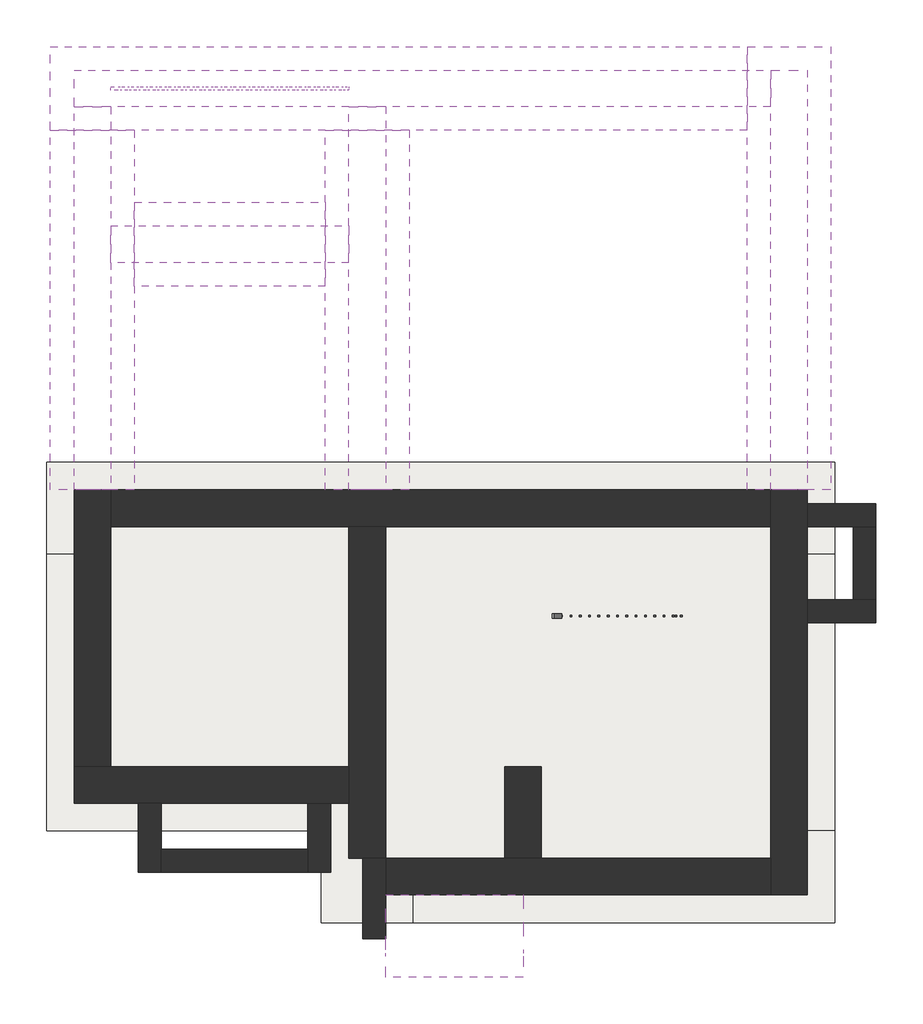
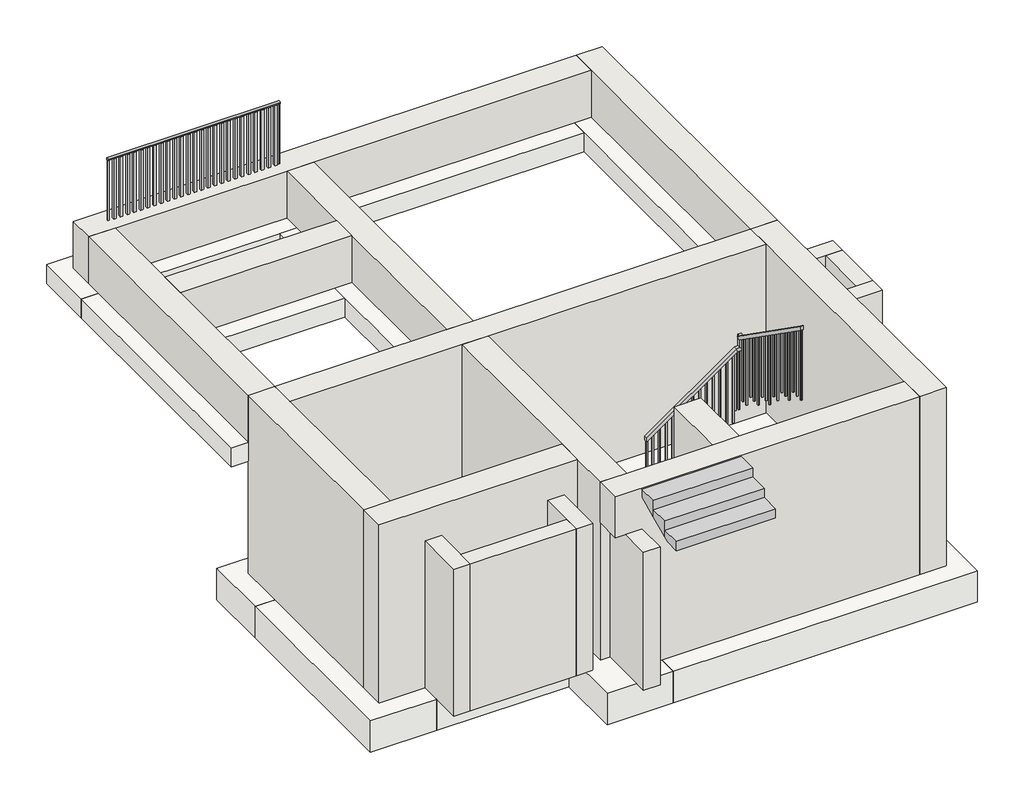
# One storey: 19 walls, 12 footings, 2 railings, 1 slab, 1 stair flight.
"""IFC4 building model written with IfcOpenShell, lengths in millimetres."""

from ifc_helpers import new_model, si_unit, point, frame, frame_2d, origin, place, context, project, spatial, polyline, circle_curve, trimmed, segment, composite_curve, outline, extrude, faceted_brep, element, save

model = new_model("IFC4")

# Units and contexts
model_context = context("Model", 3, world=origin())
ifc_project = project(units=[si_unit("LENGTHUNIT", "METRE", prefix="MILLI")], contexts=[model_context])

# Site, building, storey
site = spatial("IfcSite", under=ifc_project)
building = spatial("IfcBuilding", under=site)
storey = spatial("IfcBuildingStorey", under=building, Elevation=-2400.0)

# Footings
placement = place(None, origin())
element("IfcFooting", 1, at=placement, inside=storey, context=model_context, shape_type="Brep", body=[
    faceted_brep([(-6883.694566, 1245.0965613, -2400.0), (-5883.694566, 1245.0965613, -2400.0), (-3883.694566, 1245.0965613, -2400.0), (-2883.694566, 1245.0965613, -2400.0), (716.305434, 1245.0965613, -2400.0), (1716.305434, 1245.0965613, -2400.0), (1716.305434, 2245.0965613, -2400.0), (-6883.694566, 2245.0965613, -2400.0), (-6883.694566, 2245.0965613, -2900.0), (1716.305434, 2245.0965613, -2900.0), (-6883.694566, 1245.0965613, -2900.0), (1716.305434, 1245.0965613, -2900.0), (716.305434, 1245.0965613, -2900.0), (-2883.694566, 1245.0965613, -2900.0), (-3883.694566, 1245.0965613, -2900.0), (-5883.694566, 1245.0965613, -2900.0)], [[[0, 1, 2, 3, 4, 5, 6, 7]], [[8, 7, 6, 9]], [[10, 8, 9, 11, 12, 13, 14, 15]], [[0, 10, 15, 14, 13, 12, 11, 5, 4, 3, 2, 1]], [[0, 7, 8, 10]], [[6, 5, 11, 9]]]),
])
element("IfcFooting", 2, at=placement, inside=storey, context=model_context, shape_type="Brep", body=[
    faceted_brep([(-6883.694566, -1774.9034387, -2400.0), (-5883.694566, -1774.9034387, -2400.0), (-5883.694566, -774.9034387, -2400.0), (-5883.694566, 1245.0965613, -2400.0), (-6883.694566, 1245.0965613, -2400.0), (-6883.694566, -1774.9034387, -2900.0), (-6883.694566, 1245.0965613, -2900.0), (-5883.694566, -1774.9034387, -2900.0), (-5883.694566, 1245.0965613, -2900.0), (-5883.694566, -774.9034387, -2900.0)], [[[0, 1, 2, 3, 4]], [[5, 0, 4, 6]], [[7, 5, 6, 8, 9]], [[1, 7, 9, 8, 3, 2]], [[4, 3, 8, 6]], [[1, 0, 5, 7]]]),
])
element("IfcFooting", 3, at=placement, inside=storey, context=model_context, shape_type="SweptSolid", body=[
    extrude(outline(polyline([(-3883.694566, -774.9034387), (-3883.694566, -1774.9034387), (-5883.694566, -1774.9034387), (-5883.694566, -774.9034387), (-3883.694566, -774.9034387)])), frame((0.0, 0.0, -2900.0), z_axis=(0.0, 0.0, 1.0), x_axis=(1.0, 0.0, 0.0)), (0.0, 0.0, 1.0), 500.0),
])
element("IfcFooting", 4, at=placement, inside=storey, context=model_context, shape_type="Brep", body=[
    faceted_brep([(-3883.694566, 1245.0965613, -2400.0), (-3883.694566, -774.9034387, -2400.0), (-3883.694566, -1774.9034387, -2400.0), (-3883.694566, -2774.9034387, -2400.0), (-2883.694566, -2774.9034387, -2400.0), (-2883.694566, -1774.9034387, -2400.0), (-2883.694566, 1245.0965613, -2400.0), (-2883.694566, 1245.0965613, -2900.0), (-2883.694566, -2774.9034387, -2900.0), (-2883.694566, -1774.9034387, -2900.0), (-3883.694566, 1245.0965613, -2900.0), (-3883.694566, -2774.9034387, -2900.0), (-3883.694566, -1774.9034387, -2900.0), (-3883.694566, -774.9034387, -2900.0)], [[[0, 1, 2, 3, 4, 5, 6]], [[7, 6, 5, 4, 8, 9]], [[10, 7, 9, 8, 11, 12, 13]], [[0, 10, 13, 12, 11, 3, 2, 1]], [[0, 6, 7, 10]], [[4, 3, 11, 8]]]),
])
element("IfcFooting", 5, at=placement, inside=storey, context=model_context, shape_type="Brep", body=[
    faceted_brep([(1716.305434, -2774.9034387, -2400.0), (1716.305434, -1774.9034387, -2400.0), (716.305434, -1774.9034387, -2400.0), (-1183.694566, -1774.9034387, -2400.0), (-2183.694566, -1774.9034387, -2400.0), (-2883.694566, -1774.9034387, -2400.0), (-2883.694566, -2774.9034387, -2400.0), (1716.305434, -2774.9034387, -2900.0), (-2883.694566, -2774.9034387, -2900.0), (1716.305434, -1774.9034387, -2900.0), (-2883.694566, -1774.9034387, -2900.0), (-2183.694566, -1774.9034387, -2900.0), (-1183.694566, -1774.9034387, -2900.0), (716.305434, -1774.9034387, -2900.0)], [[[0, 1, 2, 3, 4, 5, 6]], [[7, 0, 6, 8]], [[9, 7, 8, 10, 11, 12, 13]], [[1, 9, 13, 12, 11, 10, 5, 4, 3, 2]], [[1, 0, 7, 9]], [[6, 5, 10, 8]]]),
])
element("IfcFooting", 6, at=placement, inside=storey, context=model_context, shape_type="SweptSolid", body=[
    extrude(outline(polyline([(-1183.694566, -1774.9034387), (-2183.694566, -1774.9034387), (-2183.694566, -1074.9034387), (-1183.694566, -1074.9034387), (-1183.694566, -1774.9034387)])), frame((0.0, 0.0, -2900.0), z_axis=(0.0, 0.0, 1.0), x_axis=(1.0, 0.0, 0.0)), (0.0, 0.0, 1.0), 500.0),
])
element("IfcFooting", 7, at=placement, inside=storey, context=model_context, shape_type="SweptSolid", body=[
    extrude(outline(polyline([(716.305434, 1245.0965613), (1716.305434, 1245.0965613), (1716.305434, -1774.9034387), (716.305434, -1774.9034387), (716.305434, 1245.0965613)])), frame((0.0, 0.0, -2900.0), z_axis=(0.0, 0.0, 1.0), x_axis=(1.0, 0.0, 0.0)), (0.0, 0.0, 1.0), 500.0),
])
element("IfcFooting", 8, ObjectType="Bearing Footing - 36\" x 12\"", at=placement, inside=storey, context=model_context, shape_type="Brep", body=[
    faceted_brep([(1673.505434, 1945.0965613, -300.0), (759.105434, 1945.0965613, -300.0), (759.105434, 1945.0965613, -604.8), (1673.505434, 1945.0965613, -604.8), (1673.505434, 6782.2965613, -300.0), (759.105434, 6782.2965613, -300.0), (759.105434, 5867.8965613, -300.0), (759.105434, 6782.2965613, -604.8), (759.105434, 5867.8965613, -604.8), (1673.505434, 6782.2965613, -604.8)], [[[0, 1, 2, 3]], [[0, 4, 5, 6, 1]], [[2, 1, 6, 5, 7, 8]], [[3, 2, 8, 7, 9]], [[0, 3, 9, 4]], [[5, 4, 9, 7]]]),
])
element("IfcFooting", 9, ObjectType="Bearing Footing - 36\" x 12\"", at=placement, inside=storey, context=model_context, shape_type="Brep", body=[
    faceted_brep([(-6840.894566, 6782.2965613, -300.0), (-6840.894566, 5867.8965613, -300.0), (-5926.494566, 5867.8965613, -300.0), (-3840.894566, 5867.8965613, -300.0), (-2926.494566, 5867.8965613, -300.0), (759.105434, 5867.8965613, -300.0), (759.105434, 6782.2965613, -300.0), (-6840.894566, 5867.8965613, -604.8), (-5926.494566, 5867.8965613, -604.8), (-3840.894566, 5867.8965613, -604.8), (-2926.494566, 5867.8965613, -604.8), (759.105434, 5867.8965613, -604.8), (-6840.894566, 6782.2965613, -604.8), (759.105434, 6782.2965613, -604.8)], [[[0, 1, 2, 3, 4, 5, 6]], [[1, 7, 8, 9, 10, 11, 5, 4, 3, 2]], [[7, 12, 13, 11, 10, 9, 8]], [[12, 0, 6, 13]], [[1, 0, 12, 7]], [[6, 5, 11, 13]]]),
])
element("IfcFooting", 10, ObjectType="Bearing Footing - 36\" x 12\"", at=placement, inside=storey, context=model_context, shape_type="Brep", body=[
    faceted_brep([(-5926.494566, 1945.0965613, -604.8), (-5926.494566, 1945.0965613, -300.0), (-6840.894566, 1945.0965613, -300.0), (-6840.894566, 1945.0965613, -604.8), (-5926.494566, 4167.8965613, -300.0), (-5926.494566, 5082.2965613, -300.0), (-5926.494566, 5867.8965613, -300.0), (-6840.894566, 5867.8965613, -300.0), (-5926.494566, 4167.8965613, -604.8), (-5926.494566, 5082.2965613, -604.8), (-5926.494566, 5867.8965613, -604.8), (-6840.894566, 5867.8965613, -604.8)], [[[0, 1, 2, 3]], [[2, 1, 4, 5, 6, 7]], [[1, 0, 8, 9, 10, 6, 5, 4]], [[0, 3, 11, 10, 9, 8]], [[3, 2, 7, 11]], [[7, 6, 10, 11]]]),
])
element("IfcFooting", 11, ObjectType="Bearing Footing - 36\" x 12\"", at=placement, inside=storey, context=model_context, shape_type="Brep", body=[
    faceted_brep([(-2926.494566, 1945.0965613, -604.8), (-2926.494566, 1945.0965613, -300.0), (-3840.894566, 1945.0965613, -300.0), (-3840.894566, 1945.0965613, -604.8), (-2926.494566, 5867.8965613, -300.0), (-3840.894566, 5867.8965613, -300.0), (-3840.894566, 5082.2965613, -300.0), (-3840.894566, 4167.8965613, -300.0), (-2926.494566, 5867.8965613, -604.8), (-3840.894566, 4167.8965613, -604.8), (-3840.894566, 5082.2965613, -604.8), (-3840.894566, 5867.8965613, -604.8)], [[[0, 1, 2, 3]], [[2, 1, 4, 5, 6, 7]], [[1, 0, 8, 4]], [[0, 3, 9, 10, 11, 8]], [[3, 2, 7, 6, 5, 11, 10, 9]], [[5, 4, 8, 11]]]),
])
element("IfcFooting", 12, ObjectType="Bearing Footing - 36\" x 12\"", at=placement, inside=storey, context=model_context, shape_type="SweptSolid", body=[
    extrude(outline(polyline([(-3840.894566, 5082.2965613), (-3840.894566, 4167.8965613), (-5926.494566, 4167.8965613), (-5926.494566, 5082.2965613), (-3840.894566, 5082.2965613)])), frame((0.0, 0.0, -604.8), z_axis=(0.0, 0.0, 1.0), x_axis=(1.0, 0.0, 0.0)), (0.0, 0.0, 1.0), 304.8),
])

# Railings
element("IfcRailing", 13, at=placement, inside=storey, context=model_context, shape_type="SweptSolid", body=[
    extrude(outline(composite_curve([segment(trimmed(circle_curve(frame_2d((6325.0965613, 1430.95)), 19.05), [point((6306.0465613, 1430.95))], [point((6344.1465613, 1430.95))], False, "CARTESIAN"), True, "CONTINUOUS"), segment(trimmed(circle_curve(frame_2d((6325.0965613, 1430.95)), 19.05), [point((6344.1465613, 1430.95))], [point((6306.0465613, 1430.95))], False, "CARTESIAN"), True, "CONTINUOUS")], self_intersect=False)), frame((-6183.694566, 0.0, 0.0), z_axis=(1.0, 0.0, 0.0), x_axis=(0.0, 1.0, 0.0)), (0.0, 0.0, 1.0), 2600.0),
    extrude(outline(polyline([(-3662.744566, 6306.0465613), (-3662.744566, 6344.1465613), (-3624.644566, 6344.1465613), (-3624.644566, 6306.0465613), (-3662.744566, 6306.0465613)])), frame((0.0, 0.0, 450.0), z_axis=(0.0, 0.0, 1.0), x_axis=(1.0, 0.0, 0.0)), (0.0, 0.0, 1.0), 961.9),
    extrude(outline(polyline([(-3764.344566, 6306.0465613), (-3764.344566, 6344.1465613), (-3726.244566, 6344.1465613), (-3726.244566, 6306.0465613), (-3764.344566, 6306.0465613)])), frame((0.0, 0.0, 450.0), z_axis=(0.0, 0.0, 1.0), x_axis=(1.0, 0.0, 0.0)), (0.0, 0.0, 1.0), 961.9),
    extrude(outline(polyline([(-3865.944566, 6306.0465613), (-3865.944566, 6344.1465613), (-3827.844566, 6344.1465613), (-3827.844566, 6306.0465613), (-3865.944566, 6306.0465613)])), frame((0.0, 0.0, 450.0), z_axis=(0.0, 0.0, 1.0), x_axis=(1.0, 0.0, 0.0)), (0.0, 0.0, 1.0), 961.9),
    extrude(outline(polyline([(-3967.544566, 6306.0465613), (-3967.544566, 6344.1465613), (-3929.444566, 6344.1465613), (-3929.444566, 6306.0465613), (-3967.544566, 6306.0465613)])), frame((0.0, 0.0, 450.0), z_axis=(0.0, 0.0, 1.0), x_axis=(1.0, 0.0, 0.0)), (0.0, 0.0, 1.0), 961.9),
    extrude(outline(polyline([(-4069.144566, 6306.0465613), (-4069.144566, 6344.1465613), (-4031.044566, 6344.1465613), (-4031.044566, 6306.0465613), (-4069.144566, 6306.0465613)])), frame((0.0, 0.0, 450.0), z_axis=(0.0, 0.0, 1.0), x_axis=(1.0, 0.0, 0.0)), (0.0, 0.0, 1.0), 961.9),
    extrude(outline(polyline([(-4170.744566, 6306.0465613), (-4170.744566, 6344.1465613), (-4132.644566, 6344.1465613), (-4132.644566, 6306.0465613), (-4170.744566, 6306.0465613)])), frame((0.0, 0.0, 450.0), z_axis=(0.0, 0.0, 1.0), x_axis=(1.0, 0.0, 0.0)), (0.0, 0.0, 1.0), 961.9),
    extrude(outline(polyline([(-4272.344566, 6306.0465613), (-4272.344566, 6344.1465613), (-4234.244566, 6344.1465613), (-4234.244566, 6306.0465613), (-4272.344566, 6306.0465613)])), frame((0.0, 0.0, 450.0), z_axis=(0.0, 0.0, 1.0), x_axis=(1.0, 0.0, 0.0)), (0.0, 0.0, 1.0), 961.9),
    extrude(outline(polyline([(-4373.944566, 6306.0465613), (-4373.944566, 6344.1465613), (-4335.844566, 6344.1465613), (-4335.844566, 6306.0465613), (-4373.944566, 6306.0465613)])), frame((0.0, 0.0, 450.0), z_axis=(0.0, 0.0, 1.0), x_axis=(1.0, 0.0, 0.0)), (0.0, 0.0, 1.0), 961.9),
    extrude(outline(polyline([(-4475.544566, 6306.0465613), (-4475.544566, 6344.1465613), (-4437.444566, 6344.1465613), (-4437.444566, 6306.0465613), (-4475.544566, 6306.0465613)])), frame((0.0, 0.0, 450.0), z_axis=(0.0, 0.0, 1.0), x_axis=(1.0, 0.0, 0.0)), (0.0, 0.0, 1.0), 961.9),
    extrude(outline(polyline([(-4577.144566, 6306.0465613), (-4577.144566, 6344.1465613), (-4539.044566, 6344.1465613), (-4539.044566, 6306.0465613), (-4577.144566, 6306.0465613)])), frame((0.0, 0.0, 450.0), z_axis=(0.0, 0.0, 1.0), x_axis=(1.0, 0.0, 0.0)), (0.0, 0.0, 1.0), 961.9),
    extrude(outline(polyline([(-4678.744566, 6306.0465613), (-4678.744566, 6344.1465613), (-4640.644566, 6344.1465613), (-4640.644566, 6306.0465613), (-4678.744566, 6306.0465613)])), frame((0.0, 0.0, 450.0), z_axis=(0.0, 0.0, 1.0), x_axis=(1.0, 0.0, 0.0)), (0.0, 0.0, 1.0), 961.9),
    extrude(outline(polyline([(-4780.344566, 6306.0465613), (-4780.344566, 6344.1465613), (-4742.244566, 6344.1465613), (-4742.244566, 6306.0465613), (-4780.344566, 6306.0465613)])), frame((0.0, 0.0, 450.0), z_axis=(0.0, 0.0, 1.0), x_axis=(1.0, 0.0, 0.0)), (0.0, 0.0, 1.0), 961.9),
    extrude(outline(polyline([(-4881.944566, 6306.0465613), (-4881.944566, 6344.1465613), (-4843.844566, 6344.1465613), (-4843.844566, 6306.0465613), (-4881.944566, 6306.0465613)])), frame((0.0, 0.0, 450.0), z_axis=(0.0, 0.0, 1.0), x_axis=(1.0, 0.0, 0.0)), (0.0, 0.0, 1.0), 961.9),
    extrude(outline(polyline([(-4983.544566, 6306.0465613), (-4983.544566, 6344.1465613), (-4945.444566, 6344.1465613), (-4945.444566, 6306.0465613), (-4983.544566, 6306.0465613)])), frame((0.0, 0.0, 450.0), z_axis=(0.0, 0.0, 1.0), x_axis=(1.0, 0.0, 0.0)), (0.0, 0.0, 1.0), 961.9),
    extrude(outline(polyline([(-5085.144566, 6306.0465613), (-5085.144566, 6344.1465613), (-5047.044566, 6344.1465613), (-5047.044566, 6306.0465613), (-5085.144566, 6306.0465613)])), frame((0.0, 0.0, 450.0), z_axis=(0.0, 0.0, 1.0), x_axis=(1.0, 0.0, 0.0)), (0.0, 0.0, 1.0), 961.9),
    extrude(outline(polyline([(-5186.744566, 6306.0465613), (-5186.744566, 6344.1465613), (-5148.644566, 6344.1465613), (-5148.644566, 6306.0465613), (-5186.744566, 6306.0465613)])), frame((0.0, 0.0, 450.0), z_axis=(0.0, 0.0, 1.0), x_axis=(1.0, 0.0, 0.0)), (0.0, 0.0, 1.0), 961.9),
    extrude(outline(polyline([(-5288.344566, 6306.0465613), (-5288.344566, 6344.1465613), (-5250.244566, 6344.1465613), (-5250.244566, 6306.0465613), (-5288.344566, 6306.0465613)])), frame((0.0, 0.0, 450.0), z_axis=(0.0, 0.0, 1.0), x_axis=(1.0, 0.0, 0.0)), (0.0, 0.0, 1.0), 961.9),
    extrude(outline(polyline([(-5389.944566, 6306.0465613), (-5389.944566, 6344.1465613), (-5351.844566, 6344.1465613), (-5351.844566, 6306.0465613), (-5389.944566, 6306.0465613)])), frame((0.0, 0.0, 450.0), z_axis=(0.0, 0.0, 1.0), x_axis=(1.0, 0.0, 0.0)), (0.0, 0.0, 1.0), 961.9),
    extrude(outline(polyline([(-5491.544566, 6306.0465613), (-5491.544566, 6344.1465613), (-5453.444566, 6344.1465613), (-5453.444566, 6306.0465613), (-5491.544566, 6306.0465613)])), frame((0.0, 0.0, 450.0), z_axis=(0.0, 0.0, 1.0), x_axis=(1.0, 0.0, 0.0)), (0.0, 0.0, 1.0), 961.9),
    extrude(outline(polyline([(-5593.144566, 6306.0465613), (-5593.144566, 6344.1465613), (-5555.044566, 6344.1465613), (-5555.044566, 6306.0465613), (-5593.144566, 6306.0465613)])), frame((0.0, 0.0, 450.0), z_axis=(0.0, 0.0, 1.0), x_axis=(1.0, 0.0, 0.0)), (0.0, 0.0, 1.0), 961.9),
    extrude(outline(polyline([(-5694.744566, 6306.0465613), (-5694.744566, 6344.1465613), (-5656.644566, 6344.1465613), (-5656.644566, 6306.0465613), (-5694.744566, 6306.0465613)])), frame((0.0, 0.0, 450.0), z_axis=(0.0, 0.0, 1.0), x_axis=(1.0, 0.0, 0.0)), (0.0, 0.0, 1.0), 961.9),
    extrude(outline(polyline([(-5796.344566, 6306.0465613), (-5796.344566, 6344.1465613), (-5758.244566, 6344.1465613), (-5758.244566, 6306.0465613), (-5796.344566, 6306.0465613)])), frame((0.0, 0.0, 450.0), z_axis=(0.0, 0.0, 1.0), x_axis=(1.0, 0.0, 0.0)), (0.0, 0.0, 1.0), 961.9),
    extrude(outline(polyline([(-5897.944566, 6306.0465613), (-5897.944566, 6344.1465613), (-5859.844566, 6344.1465613), (-5859.844566, 6306.0465613), (-5897.944566, 6306.0465613)])), frame((0.0, 0.0, 450.0), z_axis=(0.0, 0.0, 1.0), x_axis=(1.0, 0.0, 0.0)), (0.0, 0.0, 1.0), 961.9),
    extrude(outline(polyline([(-5999.544566, 6306.0465613), (-5999.544566, 6344.1465613), (-5961.444566, 6344.1465613), (-5961.444566, 6306.0465613), (-5999.544566, 6306.0465613)])), frame((0.0, 0.0, 450.0), z_axis=(0.0, 0.0, 1.0), x_axis=(1.0, 0.0, 0.0)), (0.0, 0.0, 1.0), 961.9),
    extrude(outline(polyline([(-6101.144566, 6306.0465613), (-6101.144566, 6344.1465613), (-6063.044566, 6344.1465613), (-6063.044566, 6306.0465613), (-6101.144566, 6306.0465613)])), frame((0.0, 0.0, 450.0), z_axis=(0.0, 0.0, 1.0), x_axis=(1.0, 0.0, 0.0)), (0.0, 0.0, 1.0), 961.9),
    extrude(outline(polyline([(-3602.719566, 6315.5715613), (-3602.719566, 6334.6215613), (-3583.669566, 6334.6215613), (-3583.669566, 6315.5715613), (-3602.719566, 6315.5715613)])), frame((0.0, 0.0, 450.0), z_axis=(0.0, 0.0, 1.0), x_axis=(1.0, 0.0, 0.0)), (0.0, 0.0, 1.0), 961.9),
    extrude(outline(polyline([(-6183.719566, 6315.5715613), (-6183.719566, 6334.6215613), (-6164.669566, 6334.6215613), (-6164.669566, 6315.5715613), (-6183.719566, 6315.5715613)])), frame((0.0, 0.0, 450.0), z_axis=(0.0, 0.0, 1.0), x_axis=(1.0, 0.0, 0.0)), (0.0, 0.0, 1.0), 961.9),
])
element("IfcRailing", 14, ObjectType="Handrail - Rectangular", at=placement, inside=storey, context=model_context, shape_type="SolidModel", body=[
    faceted_brep([(-1365.444566, 595.8965613, -1210.0), (-1365.444566, 595.8965613, -1272.1173896), (-1365.444566, 545.0965613, -1272.1173896), (-1365.444566, 545.0965613, -1210.0), (-15.444566, 595.8965613, -260.0), (0.6380403, 595.8965613, -310.8), (0.6380403, 545.0965613, -310.8), (-15.444566, 545.0965613, -260.0), (41.705434, 595.8965613, -260.0), (41.705434, 545.0965613, -260.0), (92.505434, 545.0965613, -310.8), (92.505434, 595.8965613, -310.8)], [[[0, 1, 2, 3]], [[1, 0, 4, 5]], [[2, 1, 5, 6]], [[3, 2, 6, 7]], [[0, 3, 7, 4]], [[8, 9, 10, 11]], [[5, 4, 8, 11]], [[6, 5, 11, 10]], [[7, 6, 10, 9]], [[4, 7, 9, 8]]]),
    faceted_brep([(41.705434, 595.8965613, -260.0), (92.505434, 595.8965613, -310.8), (92.505434, 545.0965613, -310.8), (41.705434, 545.0965613, -260.0), (41.705434, 595.8965613, -74.6894533), (41.705434, 545.0965613, -101.0586948), (92.505434, 545.0965613, -101.0586948), (92.505434, 595.8965613, -74.6894533)], [[[0, 1, 2, 3]], [[4, 5, 6, 7]], [[1, 0, 4, 7]], [[2, 1, 7, 6]], [[3, 2, 6, 5]], [[0, 3, 5, 4]]]),
    faceted_brep([(67.105434, 570.4965613, -87.8740741), (67.105434, 519.6965613, -114.2433156), (16.305434, 519.6965613, -114.2433156), (16.305434, 570.4965613, -87.8740741), (67.105434, -1074.9034387, 1070.0), (16.305434, -1074.9034387, 1070.0), (16.305434, -1074.9034387, 1007.8826104), (67.105434, -1074.9034387, 1007.8826104)], [[[0, 1, 2, 3]], [[4, 5, 6, 7]], [[1, 0, 4, 7]], [[2, 1, 7, 6]], [[3, 2, 6, 5]], [[0, 3, 5, 4]]]),
    extrude(outline(polyline([(-1064.6284387, 1000.6520548), (-1045.5784387, 987.2464992), (-1045.5784387, -120.0), (-1064.6284387, -120.0), (-1064.6284387, 1000.6520548)])), frame((32.180434, 0.0, 0.0), z_axis=(1.0, 0.0, 0.0), x_axis=(0.0, 1.0, 0.0)), (0.0, 0.0, 1.0), 19.05),
    extrude(outline(polyline([(-963.0284387, 929.1557585), (-943.9784387, 915.7502029), (-943.9784387, -120.0), (-963.0284387, -120.0), (-963.0284387, 929.1557585)])), frame((32.180434, 0.0, 0.0), z_axis=(1.0, 0.0, 0.0), x_axis=(0.0, 1.0, 0.0)), (0.0, 0.0, 1.0), 19.05),
    extrude(outline(polyline([(-861.4284387, 857.6594622), (-842.3784387, 844.2539067), (-842.3784387, -120.0), (-861.4284387, -120.0), (-861.4284387, 857.6594622)])), frame((32.180434, 0.0, 0.0), z_axis=(1.0, 0.0, 0.0), x_axis=(0.0, 1.0, 0.0)), (0.0, 0.0, 1.0), 19.05),
    extrude(outline(polyline([(-759.8284387, 786.1631659), (-740.7784387, 772.7576104), (-740.7784387, -310.0), (-759.8284387, -310.0), (-759.8284387, 786.1631659)])), frame((32.180434, 0.0, 0.0), z_axis=(1.0, 0.0, 0.0), x_axis=(0.0, 1.0, 0.0)), (0.0, 0.0, 1.0), 19.05),
    extrude(outline(polyline([(-658.2284387, 714.6668696), (-639.1784387, 701.2613141), (-639.1784387, -310.0), (-658.2284387, -310.0), (-658.2284387, 714.6668696)])), frame((32.180434, 0.0, 0.0), z_axis=(1.0, 0.0, 0.0), x_axis=(0.0, 1.0, 0.0)), (0.0, 0.0, 1.0), 19.05),
    extrude(outline(polyline([(-556.6284387, 643.1705733), (-537.5784387, 629.7650178), (-537.5784387, -310.0), (-556.6284387, -310.0), (-556.6284387, 643.1705733)])), frame((32.180434, 0.0, 0.0), z_axis=(1.0, 0.0, 0.0), x_axis=(0.0, 1.0, 0.0)), (0.0, 0.0, 1.0), 19.05),
    extrude(outline(polyline([(-455.0284387, 571.674277), (-435.9784387, 558.2687215), (-435.9784387, -500.0), (-455.0284387, -500.0), (-455.0284387, 571.674277)])), frame((32.180434, 0.0, 0.0), z_axis=(1.0, 0.0, 0.0), x_axis=(0.0, 1.0, 0.0)), (0.0, 0.0, 1.0), 19.05),
    extrude(outline(polyline([(-353.4284387, 500.1779807), (-334.3784387, 486.7724252), (-334.3784387, -500.0), (-353.4284387, -500.0), (-353.4284387, 500.1779807)])), frame((32.180434, 0.0, 0.0), z_axis=(1.0, 0.0, 0.0), x_axis=(0.0, 1.0, 0.0)), (0.0, 0.0, 1.0), 19.05),
    extrude(outline(polyline([(-251.8284387, 428.6816844), (-232.7784387, 415.2761289), (-232.7784387, -690.0), (-251.8284387, -690.0), (-251.8284387, 428.6816844)])), frame((32.180434, 0.0, 0.0), z_axis=(1.0, 0.0, 0.0), x_axis=(0.0, 1.0, 0.0)), (0.0, 0.0, 1.0), 19.05),
    extrude(outline(polyline([(-150.2284387, 357.1853881), (-131.1784387, 343.7798326), (-131.1784387, -690.0), (-150.2284387, -690.0), (-150.2284387, 357.1853881)])), frame((32.180434, 0.0, 0.0), z_axis=(1.0, 0.0, 0.0), x_axis=(0.0, 1.0, 0.0)), (0.0, 0.0, 1.0), 19.05),
    extrude(outline(polyline([(-48.6284387, 285.6890918), (-29.5784387, 272.2835363), (-29.5784387, -690.0), (-48.6284387, -690.0), (-48.6284387, 285.6890918)])), frame((32.180434, 0.0, 0.0), z_axis=(1.0, 0.0, 0.0), x_axis=(0.0, 1.0, 0.0)), (0.0, 0.0, 1.0), 19.05),
    extrude(outline(polyline([(52.9715613, 214.1927955), (72.0215613, 200.78724), (72.0215613, -880.0), (52.9715613, -880.0), (52.9715613, 214.1927955)])), frame((32.180434, 0.0, 0.0), z_axis=(1.0, 0.0, 0.0), x_axis=(0.0, 1.0, 0.0)), (0.0, 0.0, 1.0), 19.05),
    extrude(outline(polyline([(154.5715613, 142.6964992), (173.6215613, 129.2909437), (173.6215613, -880.0), (154.5715613, -880.0), (154.5715613, 142.6964992)])), frame((32.180434, 0.0, 0.0), z_axis=(1.0, 0.0, 0.0), x_axis=(0.0, 1.0, 0.0)), (0.0, 0.0, 1.0), 19.05),
    extrude(outline(polyline([(256.1715613, 71.2705733), (275.2215613, 57.8650178), (275.2215613, -880.0), (256.1715613, -880.0), (256.1715613, 71.2705733)])), frame((32.180434, 0.0, 0.0), z_axis=(1.0, 0.0, 0.0), x_axis=(0.0, 1.0, 0.0)), (0.0, 0.0, 1.0), 19.05),
    extrude(outline(polyline([(357.7715613, -0.2960933), (376.8215613, -13.7016489), (376.8215613, -1070.0), (357.7715613, -1070.0), (357.7715613, -0.2960933)])), frame((32.180434, 0.0, 0.0), z_axis=(1.0, 0.0, 0.0), x_axis=(0.0, 1.0, 0.0)), (0.0, 0.0, 1.0), 19.05),
    extrude(outline(polyline([(459.3715613, -71.7923896), (478.4215613, -85.1979452), (478.4215613, -1070.0), (459.3715613, -1070.0), (459.3715613, -71.7923896)])), frame((32.180434, 0.0, 0.0), z_axis=(1.0, 0.0, 0.0), x_axis=(0.0, 1.0, 0.0)), (0.0, 0.0, 1.0), 19.05),
    extrude(outline(polyline([(-335.96276, -35.119566), (-349.3683156, -54.169566), (-1450.0, -54.169566), (-1450.0, -35.119566), (-335.96276, -35.119566)])), frame((0.0, 560.9715613, 0.0), z_axis=(0.0, 1.0, 0.0), x_axis=(0.0, 0.0, 1.0)), (0.0, 0.0, 1.0), 19.05),
    extrude(outline(polyline([(-407.4590563, -136.719566), (-420.8646119, -155.769566), (-1450.0, -155.769566), (-1450.0, -136.719566), (-407.4590563, -136.719566)])), frame((0.0, 560.9715613, 0.0), z_axis=(0.0, 1.0, 0.0), x_axis=(0.0, 0.0, 1.0)), (0.0, 0.0, 1.0), 19.05),
    extrude(outline(polyline([(-478.9553526, -238.319566), (-492.3609082, -257.369566), (-1450.0, -257.369566), (-1450.0, -238.319566), (-478.9553526, -238.319566)])), frame((0.0, 560.9715613, 0.0), z_axis=(0.0, 1.0, 0.0), x_axis=(0.0, 0.0, 1.0)), (0.0, 0.0, 1.0), 19.05),
    extrude(outline(polyline([(-550.4516489, -339.919566), (-563.8572045, -358.969566), (-1640.0, -358.969566), (-1640.0, -339.919566), (-550.4516489, -339.919566)])), frame((0.0, 560.9715613, 0.0), z_axis=(0.0, 1.0, 0.0), x_axis=(0.0, 0.0, 1.0)), (0.0, 0.0, 1.0), 19.05),
    extrude(outline(polyline([(-621.9479452, -441.519566), (-635.3535008, -460.569566), (-1640.0, -460.569566), (-1640.0, -441.519566), (-621.9479452, -441.519566)])), frame((0.0, 560.9715613, 0.0), z_axis=(0.0, 1.0, 0.0), x_axis=(0.0, 0.0, 1.0)), (0.0, 0.0, 1.0), 19.05),
    extrude(outline(polyline([(-693.4442415, -543.119566), (-706.8497971, -562.169566), (-1640.0, -562.169566), (-1640.0, -543.119566), (-693.4442415, -543.119566)])), frame((0.0, 560.9715613, 0.0), z_axis=(0.0, 1.0, 0.0), x_axis=(0.0, 0.0, 1.0)), (0.0, 0.0, 1.0), 19.05),
    extrude(outline(polyline([(-764.9405378, -644.719566), (-778.3460933, -663.769566), (-1830.0, -663.769566), (-1830.0, -644.719566), (-764.9405378, -644.719566)])), frame((0.0, 560.9715613, 0.0), z_axis=(0.0, 1.0, 0.0), x_axis=(0.0, 0.0, 1.0)), (0.0, 0.0, 1.0), 19.05),
    extrude(outline(polyline([(-836.4368341, -746.319566), (-849.8423896, -765.369566), (-1830.0, -765.369566), (-1830.0, -746.319566), (-836.4368341, -746.319566)])), frame((0.0, 560.9715613, 0.0), z_axis=(0.0, 1.0, 0.0), x_axis=(0.0, 0.0, 1.0)), (0.0, 0.0, 1.0), 19.05),
    extrude(outline(polyline([(-907.9331304, -847.919566), (-921.3386859, -866.969566), (-2020.0, -866.969566), (-2020.0, -847.919566), (-907.9331304, -847.919566)])), frame((0.0, 560.9715613, 0.0), z_axis=(0.0, 1.0, 0.0), x_axis=(0.0, 0.0, 1.0)), (0.0, 0.0, 1.0), 19.05),
    extrude(outline(polyline([(-979.4294267, -949.519566), (-992.8349822, -968.569566), (-2020.0, -968.569566), (-2020.0, -949.519566), (-979.4294267, -949.519566)])), frame((0.0, 560.9715613, 0.0), z_axis=(0.0, 1.0, 0.0), x_axis=(0.0, 0.0, 1.0)), (0.0, 0.0, 1.0), 19.05),
    extrude(outline(polyline([(-1050.925723, -1051.119566), (-1064.3312785, -1070.169566), (-2020.0, -1070.169566), (-2020.0, -1051.119566), (-1050.925723, -1051.119566)])), frame((0.0, 560.9715613, 0.0), z_axis=(0.0, 1.0, 0.0), x_axis=(0.0, 0.0, 1.0)), (0.0, 0.0, 1.0), 19.05),
    extrude(outline(polyline([(-1122.4220193, -1152.719566), (-1135.8275748, -1171.769566), (-2210.0, -1171.769566), (-2210.0, -1152.719566), (-1122.4220193, -1152.719566)])), frame((0.0, 560.9715613, 0.0), z_axis=(0.0, 1.0, 0.0), x_axis=(0.0, 0.0, 1.0)), (0.0, 0.0, 1.0), 19.05),
    extrude(outline(polyline([(-1193.9183156, -1254.319566), (-1207.3238711, -1273.369566), (-2210.0, -1273.369566), (-2210.0, -1254.319566), (-1193.9183156, -1254.319566)])), frame((0.0, 560.9715613, 0.0), z_axis=(0.0, 1.0, 0.0), x_axis=(0.0, 0.0, 1.0)), (0.0, 0.0, 1.0), 19.05),
    extrude(outline(polyline([(32.180434, 580.0215613), (51.230434, 580.0215613), (51.230434, 560.9715613), (32.180434, 560.9715613), (32.180434, 580.0215613)])), frame((0.0, 0.0, -1260.0), z_axis=(0.0, 0.0, 1.0), x_axis=(1.0, 0.0, 0.0)), (0.0, 0.0, 1.0), 949.2),
    extrude(outline(polyline([(-275.1979452, -5.919566), (-288.6035008, -24.969566), (-1260.0, -24.969566), (-1260.0, -5.919566), (-275.1979452, -5.919566)])), frame((0.0, 560.9715613, 0.0), z_axis=(0.0, 1.0, 0.0), x_axis=(0.0, 0.0, 1.0)), (0.0, 0.0, 1.0), 19.05),
    extrude(outline(polyline([(-1074.9284387, 1007.9002029), (-1055.8784387, 994.4946474), (-1055.8784387, -120.0), (-1074.9284387, -120.0), (-1074.9284387, 1007.9002029)])), frame((32.180434, 0.0, 0.0), z_axis=(1.0, 0.0, 0.0), x_axis=(0.0, 1.0, 0.0)), (0.0, 0.0, 1.0), 19.05),
    extrude(outline(polyline([(-1258.7294267, -1346.419566), (-1272.1349822, -1365.469566), (-2210.0, -1365.469566), (-2210.0, -1346.419566), (-1258.7294267, -1346.419566)])), frame((0.0, 560.9715613, 0.0), z_axis=(0.0, 1.0, 0.0), x_axis=(0.0, 0.0, 1.0)), (0.0, 0.0, 1.0), 19.05),
])

# Slab
element("IfcSlab", 15, at=placement, inside=storey, context=model_context, shape_type="SweptSolid", body=[
    extrude(outline(polyline([(-3583.694566, 1545.0965613), (-3583.694566, -1074.9034387), (-6183.694566, -1074.9034387), (-6183.694566, 1545.0965613), (-3583.694566, 1545.0965613)])), frame((0.0, 0.0, -2400.0), z_axis=(0.0, 0.0, 1.0), x_axis=(1.0, 0.0, 0.0)), (0.0, 0.0, 1.0), 150.0),
    extrude(outline(polyline([(1016.305434, 1545.0965613), (1016.305434, -2074.9034387), (-1483.694566, -2074.9034387), (-1483.694566, -1074.9034387), (-1883.694566, -1074.9034387), (-1883.694566, -2074.9034387), (-3183.694566, -2074.9034387), (-3183.694566, 1545.0965613), (1016.305434, 1545.0965613)])), frame((0.0, 0.0, -2400.0), z_axis=(0.0, 0.0, 1.0), x_axis=(1.0, 0.0, 0.0)), (0.0, 0.0, 1.0), 150.0),
])

# Stair flight
element("IfcStairFlight", 16, ObjectType="2\" Tread 1\" Nosing 1/4\" Riser", at=placement, inside=storey, context=model_context, shape_type="Brep", body=[
    faceted_brep([(-3183.694566, -3074.9034387, 145.4166667), (-3183.694566, -3374.9034387, 145.4166667), (-1683.694566, -3374.9034387, 145.4166667), (-1683.694566, -3074.9034387, 145.4166667), (-3183.694566, -3074.9034387, 34.288109), (-3183.694566, -3145.6410848, 0.0), (-3183.694566, -3374.9034387, 0.0), (-1683.694566, -3374.9034387, 0.0), (-1683.694566, -3145.6410848, 0.0), (-1683.694566, -3074.9034387, 34.288109), (-3183.694566, -2774.9034387, 290.8333333), (-3183.694566, -3074.9034387, 290.8333333), (-1683.694566, -3074.9034387, 290.8333333), (-1683.694566, -2774.9034387, 290.8333333), (-3183.694566, -2774.9034387, 179.7047757), (-1683.694566, -2774.9034387, 179.7047757), (-3183.694566, -2474.9034387, 436.25), (-3183.694566, -2774.9034387, 436.25), (-1683.694566, -2774.9034387, 436.25), (-1683.694566, -2474.9034387, 436.25), (-3183.694566, -2474.9034387, 325.1214423), (-1683.694566, -2474.9034387, 325.1214423)], [[[0, 1, 2, 3]], [[1, 0, 4, 5, 6]], [[2, 1, 6, 7]], [[3, 2, 7, 8, 9]], [[10, 11, 12, 13]], [[11, 10, 14, 4, 0]], [[0, 3, 12, 11]], [[13, 12, 3, 9, 15]], [[16, 17, 18, 19]], [[17, 16, 20, 14, 10]], [[10, 13, 18, 17]], [[19, 18, 13, 15, 21]], [[16, 19, 21, 20]], [[7, 6, 5, 8]], [[8, 5, 4, 14, 20, 21, 15, 9]]]),
])

# Walls
element("IfcWall", 17, at=placement, inside=storey, context=model_context, shape_type="Brep", body=[
    faceted_brep([(1016.305434, 1945.0965613, 450.0), (1016.305434, 1945.0965613, -300.0), (1016.305434, 1945.0965613, -2400.0), (1016.305434, 1545.0965613, -2400.0), (1016.305434, -2074.9034387, -2400.0), (1016.305434, -2474.9034387, -2400.0), (1016.305434, -2474.9034387, 450.0), (1016.305434, -2074.9034387, 450.0), (1016.305434, 1545.0965613, 450.0), (1416.305434, 1945.0965613, -2400.0), (1416.305434, 1945.0965613, -300.0), (1416.305434, 1945.0965613, 450.0), (1416.305434, -2474.9034387, 450.0), (1416.305434, -2474.9034387, -2400.0), (1416.305434, 495.0965613, -2400.0), (1416.305434, 745.0965613, -2400.0), (1416.305434, 1545.0965613, -2400.0), (1416.305434, 1795.0965613, -2400.0)], [[[0, 1, 2, 3, 4, 5, 6, 7, 8]], [[9, 10, 11, 12, 13, 14, 15, 16, 17]], [[5, 4, 3, 2, 9, 17, 16, 15, 14, 13]], [[0, 8, 7, 6, 12, 11]], [[6, 5, 13, 12]], [[0, 11, 10, 9, 2, 1]]]),
])
element("IfcWall", 18, at=placement, inside=storey, context=model_context, shape_type="Brep", body=[
    faceted_brep([(1016.305434, -2074.9034387, -2400.0), (-1483.694566, -2074.9034387, -2400.0), (-1883.694566, -2074.9034387, -2400.0), (-3183.694566, -2074.9034387, -2400.0), (-3184.304297, -2074.9034387, -2400.0), (-3184.304297, -2074.9034387, -200.0), (-3434.304297, -2074.9034387, -200.0), (-3583.694566, -2074.9034387, -200.0), (-3583.694566, -2074.9034387, 450.0), (-3183.694566, -2074.9034387, 450.0), (-1883.694566, -2074.9034387, 450.0), (-1483.694566, -2074.9034387, 450.0), (1016.305434, -2074.9034387, 450.0), (1016.305434, -2474.9034387, -2400.0), (1016.305434, -2474.9034387, 450.0), (-3583.694566, -2474.9034387, 450.0), (-3583.694566, -2474.9034387, -200.0), (-3184.304297, -2474.9034387, -200.0), (-3184.304297, -2474.9034387, -2400.0)], [[[0, 1, 2, 3, 4, 5, 6, 7, 8, 9, 10, 11, 12]], [[13, 14, 15, 16, 17, 18]], [[4, 3, 2, 1, 0, 13, 18]], [[12, 11, 10, 9, 8, 15, 14]], [[0, 12, 14, 13]], [[16, 7, 6, 5, 17]], [[5, 4, 18, 17]], [[8, 7, 16, 15]]]),
])
element("IfcWall", 19, at=placement, inside=storey, context=model_context, shape_type="Brep", body=[
    faceted_brep([(-3583.694566, -1074.9034387, -2400.0), (-6183.694566, -1074.9034387, -2400.0), (-6583.694566, -1074.9034387, -2400.0), (-6583.694566, -1074.9034387, 450.0), (-6183.694566, -1074.9034387, 450.0), (-3583.694566, -1074.9034387, 450.0), (-3583.694566, -1474.9034387, -2400.0), (-3583.694566, -1474.9034387, 450.0), (-6583.694566, -1474.9034387, 450.0), (-6583.694566, -1474.9034387, -2400.0), (-5883.694566, -1474.9034387, -2400.0), (-5633.694566, -1474.9034387, -2400.0), (-4033.694566, -1474.9034387, -2400.0), (-3783.694566, -1474.9034387, -2400.0)], [[[0, 1, 2, 3, 4, 5]], [[6, 7, 8, 9, 10, 11, 12, 13]], [[2, 1, 0, 6, 13, 12, 11, 10, 9]], [[5, 4, 3, 8, 7]], [[3, 2, 9, 8]], [[0, 5, 7, 6]]]),
])
element("IfcWall", 20, at=placement, inside=storey, context=model_context, shape_type="Brep", body=[
    faceted_brep([(-6183.694566, -1074.9034387, -2400.0), (-6183.694566, 1545.0965613, -2400.0), (-6183.694566, 1945.0965613, -2400.0), (-6183.694566, 1945.0965613, -300.0), (-6183.694566, 1945.0965613, 450.0), (-6183.694566, 1545.0965613, 450.0), (-6183.694566, -1074.9034387, 450.0), (-6583.694566, -1074.9034387, -2400.0), (-6583.694566, -1074.9034387, 450.0), (-6583.694566, 1945.0965613, 450.0), (-6583.694566, 1945.0965613, -300.0), (-6583.694566, 1945.0965613, -2400.0)], [[[0, 1, 2, 3, 4, 5, 6]], [[7, 8, 9, 10, 11]], [[2, 1, 0, 7, 11]], [[6, 5, 4, 9, 8]], [[0, 6, 8, 7]], [[2, 11, 10, 9, 4, 3]]]),
])
element("IfcWall", 21, at=placement, inside=storey, context=model_context, shape_type="Brep", body=[
    faceted_brep([(-3583.694566, 1545.0965613, -2400.0), (-3583.694566, -1074.9034387, -2400.0), (-3583.694566, -1474.9034387, -2400.0), (-3583.694566, -2074.9034387, -2400.0), (-3583.694566, -2074.9034387, -200.0), (-3583.694566, -2074.9034387, 450.0), (-3583.694566, -1474.9034387, 450.0), (-3583.694566, -1074.9034387, 450.0), (-3583.694566, 1545.0965613, 450.0), (-3183.694566, 1545.0965613, -2400.0), (-3183.694566, 1545.0965613, 450.0), (-3183.694566, -2074.9034387, 450.0), (-3183.694566, -2074.9034387, -2400.0), (-3184.304297, -2074.9034387, -2400.0), (-3434.304297, -2074.9034387, -2400.0)], [[[0, 1, 2, 3, 4, 5, 6, 7, 8]], [[9, 10, 11, 12]], [[3, 2, 1, 0, 9, 12, 13, 14]], [[8, 7, 6, 5, 11, 10]], [[0, 8, 10, 9]], [[5, 4, 3, 14, 13, 12, 11]]]),
])
element("IfcWall", 22, at=placement, inside=storey, context=model_context, shape_type="Brep", body=[
    faceted_brep([(-6183.694566, 1545.0965613, 450.0), (-6183.694566, 1545.0965613, -2400.0), (-3583.694566, 1545.0965613, -2400.0), (-3183.694566, 1545.0965613, -2400.0), (1016.305434, 1545.0965613, -2400.0), (1016.305434, 1545.0965613, 450.0), (-3183.694566, 1545.0965613, 450.0), (-3583.694566, 1545.0965613, 450.0), (-6183.694566, 1945.0965613, -2400.0), (-6183.694566, 1945.0965613, 450.0), (-3583.694566, 1945.0965613, 450.0), (-3183.694566, 1945.0965613, 450.0), (1016.305434, 1945.0965613, 450.0), (1016.305434, 1945.0965613, -2400.0)], [[[0, 1, 2, 3, 4, 5, 6, 7]], [[8, 9, 10, 11, 12, 13]], [[4, 3, 2, 1, 8, 13]], [[0, 7, 6, 5, 12, 11, 10, 9]], [[0, 9, 8, 1]], [[4, 13, 12, 5]]]),
])
element("IfcWall", 23, at=placement, inside=storey, context=model_context, shape_type="SweptSolid", body=[
    extrude(outline(polyline([(-1483.694566, -1074.9034387), (-1483.694566, -2074.9034387), (-1883.694566, -2074.9034387), (-1883.694566, -1074.9034387), (-1483.694566, -1074.9034387)])), frame((0.0, 0.0, -2400.0), z_axis=(0.0, 0.0, 1.0), x_axis=(1.0, 0.0, 0.0)), (0.0, 0.0, 1.0), 2850.0),
])
element("IfcWall", 24, at=placement, inside=storey, context=model_context, shape_type="Brep", body=[
    faceted_brep([(-5883.694566, -1474.9034387, -2400.0), (-5883.694566, -2224.9034387, -2400.0), (-5883.694566, -2224.9034387, -50.0), (-5883.694566, -1474.9034387, -50.0), (-5633.694566, -1474.9034387, -2400.0), (-5633.694566, -1474.9034387, -50.0), (-5633.694566, -1974.9034387, -50.0), (-5633.694566, -2224.9034387, -50.0), (-5633.694566, -2224.9034387, -2400.0), (-5633.694566, -1974.9034387, -2400.0)], [[[0, 1, 2, 3]], [[4, 5, 6, 7, 8, 9]], [[1, 0, 4, 9, 8]], [[3, 2, 7, 6, 5]], [[0, 3, 5, 4]], [[2, 1, 8, 7]]]),
])
element("IfcWall", 25, at=placement, inside=storey, context=model_context, shape_type="Brep", body=[
    faceted_brep([(-3783.694566, -2224.9034387, -2400.0), (-3783.694566, -1474.9034387, -2400.0), (-3783.694566, -1474.9034387, -50.0), (-3783.694566, -2224.9034387, -50.0), (-4033.694566, -2224.9034387, -2400.0), (-4033.694566, -2224.9034387, -50.0), (-4033.694566, -1974.9034387, -50.0), (-4033.694566, -1474.9034387, -50.0), (-4033.694566, -1474.9034387, -2400.0), (-4033.694566, -1974.9034387, -2400.0)], [[[0, 1, 2, 3]], [[4, 5, 6, 7, 8, 9]], [[1, 0, 4, 9, 8]], [[3, 2, 7, 6, 5]], [[2, 1, 8, 7]], [[0, 3, 5, 4]]]),
])
element("IfcWall", 26, at=placement, inside=storey, context=model_context, shape_type="SweptSolid", body=[
    extrude(outline(polyline([(-4033.694566, -2224.9034387), (-5633.694566, -2224.9034387), (-5633.694566, -1974.9034387), (-4033.694566, -1974.9034387), (-4033.694566, -2224.9034387)])), frame((0.0, 0.0, -2400.0), z_axis=(0.0, 0.0, 1.0), x_axis=(1.0, 0.0, 0.0)), (0.0, 0.0, 1.0), 2350.0),
])
element("IfcWall", 27, at=placement, inside=storey, context=model_context, shape_type="Brep", body=[
    faceted_brep([(1416.305434, 1545.0965613, -50.0), (1416.305434, 1545.0965613, -2400.0), (1916.305434, 1545.0965613, -2400.0), (2166.305434, 1545.0965613, -2400.0), (2166.305434, 1545.0965613, -50.0), (1916.305434, 1545.0965613, -50.0), (1416.305434, 1795.0965613, -2400.0), (1416.305434, 1795.0965613, -50.0), (2166.305434, 1795.0965613, -50.0), (2166.305434, 1795.0965613, -2400.0)], [[[0, 1, 2, 3, 4, 5]], [[6, 7, 8, 9]], [[3, 2, 1, 6, 9]], [[0, 5, 4, 8, 7]], [[4, 3, 9, 8]], [[0, 7, 6, 1]]]),
])
element("IfcWall", 28, at=placement, inside=storey, context=model_context, shape_type="SweptSolid", body=[
    extrude(outline(polyline([(1916.305434, 745.0965613), (1916.305434, 1545.0965613), (2166.305434, 1545.0965613), (2166.305434, 745.0965613), (1916.305434, 745.0965613)])), frame((0.0, 0.0, -2400.0), z_axis=(0.0, 0.0, 1.0), x_axis=(1.0, 0.0, 0.0)), (0.0, 0.0, 1.0), 2350.0),
])
element("IfcWall", 29, at=placement, inside=storey, context=model_context, shape_type="Brep", body=[
    faceted_brep([(2166.305434, 745.0965613, -2400.0), (1916.305434, 745.0965613, -2400.0), (1416.305434, 745.0965613, -2400.0), (1416.305434, 745.0965613, -50.0), (1916.305434, 745.0965613, -50.0), (2166.305434, 745.0965613, -50.0), (2166.305434, 495.0965613, -2400.0), (2166.305434, 495.0965613, -50.0), (1416.305434, 495.0965613, -50.0), (1416.305434, 495.0965613, -2400.0)], [[[0, 1, 2, 3, 4, 5]], [[6, 7, 8, 9]], [[2, 1, 0, 6, 9]], [[5, 4, 3, 8, 7]], [[0, 5, 7, 6]], [[3, 2, 9, 8]]]),
])
element("IfcWall", 30, at=placement, inside=storey, context=model_context, shape_type="Brep", body=[
    faceted_brep([(1416.305434, 1945.0965613, 450.0), (1416.305434, 1945.0965613, -300.0), (1416.305434, 6525.0965613, -300.0), (1416.305434, 6525.0965613, 450.0), (1016.305434, 1945.0965613, -300.0), (1016.305434, 1945.0965613, 450.0), (1016.305434, 6125.0965613, 450.0), (1016.305434, 6525.0965613, 450.0), (1016.305434, 6525.0965613, -300.0), (1016.305434, 6125.0965613, -300.0)], [[[0, 1, 2, 3]], [[4, 5, 6, 7, 8, 9]], [[2, 1, 4, 9, 8]], [[0, 3, 7, 6, 5]], [[3, 2, 8, 7]], [[0, 5, 4, 1]]]),
])
element("IfcWall", 31, at=placement, inside=storey, context=model_context, shape_type="Brep", body=[
    faceted_brep([(1016.305434, 6525.0965613, -300.0), (-6583.694566, 6525.0965613, -300.0), (-6583.694566, 6525.0965613, 450.0), (1016.305434, 6525.0965613, 450.0), (1016.305434, 6125.0965613, -300.0), (1016.305434, 6125.0965613, 450.0), (-3183.694566, 6125.0965613, 450.0), (-3583.694566, 6125.0965613, 450.0), (-6183.694566, 6125.0965613, 450.0), (-6583.694566, 6125.0965613, 450.0), (-6583.694566, 6125.0965613, -300.0), (-6183.694566, 6125.0965613, -300.0), (-3583.694566, 6125.0965613, -300.0), (-3183.694566, 6125.0965613, -300.0)], [[[0, 1, 2, 3]], [[4, 5, 6, 7, 8, 9, 10, 11, 12, 13]], [[1, 0, 4, 13, 12, 11, 10]], [[3, 2, 9, 8, 7, 6, 5]], [[0, 3, 5, 4]], [[2, 1, 10, 9]]]),
])
element("IfcWall", 32, at=placement, inside=storey, context=model_context, shape_type="Brep", body=[
    faceted_brep([(-6583.694566, 6125.0965613, -300.0), (-6583.694566, 1945.0965613, -300.0), (-6583.694566, 1945.0965613, 450.0), (-6583.694566, 6125.0965613, 450.0), (-6183.694566, 6125.0965613, -300.0), (-6183.694566, 6125.0965613, 450.0), (-6183.694566, 4825.0965613, 450.0), (-6183.694566, 4425.0965613, 450.0), (-6183.694566, 1945.0965613, 450.0), (-6183.694566, 1945.0965613, -300.0), (-6183.694566, 4425.0965613, -300.0), (-6183.694566, 4825.0965613, -300.0)], [[[0, 1, 2, 3]], [[4, 5, 6, 7, 8, 9, 10, 11]], [[1, 0, 4, 11, 10, 9]], [[3, 2, 8, 7, 6, 5]], [[0, 3, 5, 4]], [[2, 1, 9, 8]]]),
])
element("IfcWall", 33, at=placement, inside=storey, context=model_context, shape_type="Brep", body=[
    faceted_brep([(-3583.694566, 6125.0965613, -300.0), (-3583.694566, 4825.0965613, -300.0), (-3583.694566, 4425.0965613, -300.0), (-3583.694566, 1945.0965613, -300.0), (-3583.694566, 1945.0965613, 450.0), (-3583.694566, 4425.0965613, 450.0), (-3583.694566, 4825.0965613, 450.0), (-3583.694566, 6125.0965613, 450.0), (-3183.694566, 6125.0965613, -300.0), (-3183.694566, 6125.0965613, 450.0), (-3183.694566, 1945.0965613, 450.0), (-3183.694566, 1945.0965613, -300.0)], [[[0, 1, 2, 3, 4, 5, 6, 7]], [[8, 9, 10, 11]], [[3, 2, 1, 0, 8, 11]], [[7, 6, 5, 4, 10, 9]], [[4, 3, 11, 10]], [[0, 7, 9, 8]]]),
])
element("IfcWall", 34, at=placement, inside=storey, context=model_context, shape_type="SweptSolid", body=[
    extrude(outline(polyline([(-3583.694566, 4425.0965613), (-6183.694566, 4425.0965613), (-6183.694566, 4825.0965613), (-3583.694566, 4825.0965613), (-3583.694566, 4425.0965613)])), frame((0.0, 0.0, -300.0), z_axis=(0.0, 0.0, 1.0), x_axis=(1.0, 0.0, 0.0)), (0.0, 0.0, 1.0), 750.0),
])
element("IfcWall", 35, at=placement, inside=storey, context=model_context, shape_type="Brep", body=[
    faceted_brep([(-3184.304297, -2949.9034387, -2400.0), (-3184.304297, -2474.9034387, -2400.0), (-3184.304297, -2074.9034387, -2400.0), (-3184.304297, -2074.9034387, -200.0), (-3184.304297, -2474.9034387, -200.0), (-3184.304297, -2949.9034387, -200.0), (-3434.304297, -2949.9034387, -2400.0), (-3434.304297, -2949.9034387, -200.0), (-3434.304297, -2074.9034387, -200.0), (-3434.304297, -2074.9034387, -2400.0)], [[[0, 1, 2, 3, 4, 5]], [[6, 7, 8, 9]], [[2, 1, 0, 6, 9]], [[5, 4, 3, 8, 7]], [[0, 5, 7, 6]], [[3, 2, 9, 8]]]),
])

save(model, "model.ifc")
